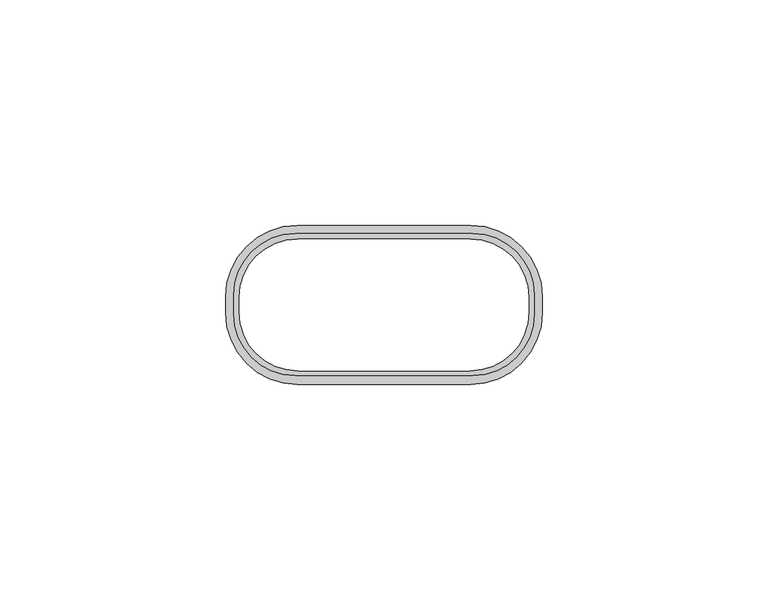
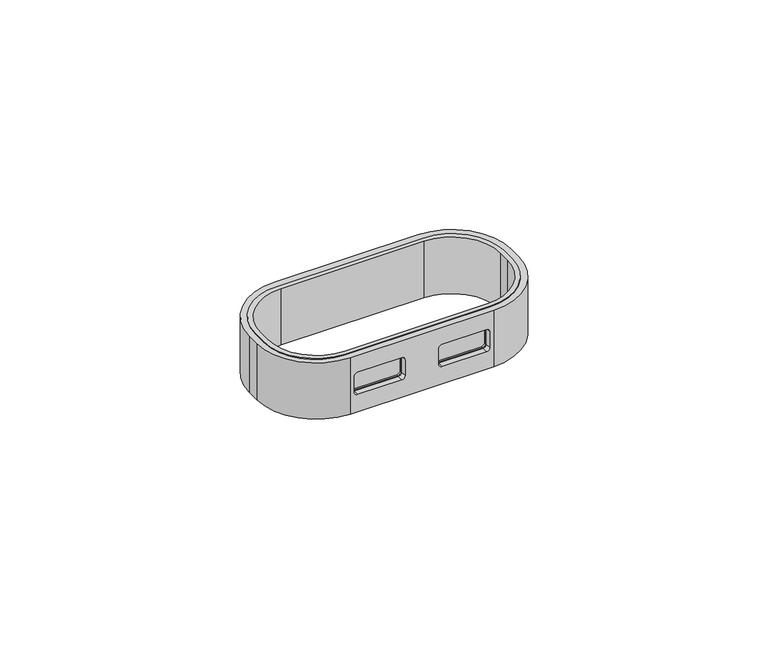
"""IFC4 building model written with IfcOpenShell, lengths in millimetres: furniture geometry."""

from ifc_helpers import new_model, si_unit, frame, origin, place, context, project, spatial, polyline, circle_curve, source, transform, mapped, element, save
from ifc_brep_helpers import plane_surface, cylinder_surface, revolved_surface, advanced_brep


def furniture_4aa4952e(model_context):
    return source(origin(), model_context, "Body", "AdvancedBrep", [
        advanced_brep(
        [(-5.3922268, -15.1999048, 4.8819933), (-4.5342266, -15.1999048, 5.7399936), (-4.5342266, -15.1999048, 10.2599927), (-5.3922268, -15.1999048, 11.117993), (-17.2922267, -15.1999048, 11.117993), (-18.1502264, -15.1999048, 10.2599933), (-18.1502264, -15.1999048, 5.7399936), (-17.2922261, -15.1999048, 4.8819933), (5.3922268, -15.1999048, 4.8819933), (17.2922261, -15.1999048, 4.8819933), (18.1502264, -15.1999048, 5.7399936), (18.1502264, -15.1999048, 10.2599933), (17.2922267, -15.1999048, 11.117993), (5.3922268, -15.1999048, 11.117993), (4.5342266, -15.1999048, 10.2599927), (4.5342266, -15.1999048, 5.7399936), (-5.3922268, -15.7064274, 4.8819933), (-4.5342266, -15.7064274, 5.7399936), (-4.5342266, -15.7064274, 10.2599927), (-5.3922268, -15.7064274, 11.117993), (-17.2922267, -15.7064274, 11.117993), (-18.1502264, -15.7064274, 10.2599933), (-18.1502264, -15.7064274, 5.7399936), (-17.2922261, -15.7064274, 4.8819933), (5.3922268, -15.7064274, 4.8819933), (17.2922261, -15.7064274, 4.8819933), (18.1502264, -15.7064274, 5.7399936), (18.1502264, -15.7064274, 10.2599933), (17.2922267, -15.7064274, 11.117993), (5.3922268, -15.7064274, 11.117993), (4.5342266, -15.7064274, 10.2599927), (4.5342266, -15.7064274, 5.7399936), (19.6303579, 15.8550847, 15.9999931), (-19.6303579, 15.8550847, 15.9999931), (-33.3463579, 2.1390847, 15.9999931), (-33.3463579, -1.9904274, 15.9999931), (-19.6303579, -15.7064274, 15.9999931), (19.6303579, -15.7064274, 15.9999931), (33.3463579, -1.9904274, 15.9999931), (33.3463579, 2.1390847, 15.9999931), (-19.125, 14.625, 15.9999931), (19.125, 14.625, 15.9999931), (32.125, 1.625, 15.9999931), (32.125, -1.625, 15.9999931), (19.125, -14.625, 15.9999931), (-19.125, -14.625, 15.9999931), (-32.125, -1.625, 15.9999931), (-32.125, 1.625, 15.9999931), (19.6303579, 15.8550847, 0.0), (33.3463579, 2.1390847, 0.0), (33.3463579, -1.9904274, 0.0), (19.6303579, -15.7064274, 0.0), (-19.6303579, -15.7064274, 0.0), (-33.3463579, -1.9904274, 0.0), (-33.3463579, 2.1390847, 0.0), (-19.6303579, 15.8550847, 0.0), (-19.125, 14.625, 0.0), (-32.125, 1.625, 0.0), (-32.125, -1.625, 0.0), (-19.125, -14.625, 0.0), (19.125, -14.625, 0.0), (32.125, -1.625, 0.0), (32.125, 1.625, 0.0), (19.125, 14.625, 0.0)],
        [
            (0, 1, circle_curve(frame((-5.3922268, -15.1999048, 5.7399936), z_axis=(0.0, -1.0, 0.0), x_axis=(1.0, 0.0, 0.0)), 0.8580003)),
            (1, 2),
            (2, 3, circle_curve(frame((-5.3922268, -15.1999048, 10.2599927), z_axis=(0.0, -1.0, 0.0), x_axis=(1.0, 0.0, 0.0)), 0.8580003)),
            (3, 4),
            (4, 5, circle_curve(frame((-17.2922267, -15.1999048, 10.2599933), z_axis=(0.0, -1.0, 0.0), x_axis=(1.0, 0.0, 0.0)), 0.8579997)),
            (5, 6),
            (6, 7, circle_curve(frame((-17.2922261, -15.1999048, 5.7399936), z_axis=(0.0, -1.0, 0.0), x_axis=(1.0, 0.0, 0.0)), 0.8580003)),
            (7, 0),
            (8, 9),
            (9, 10, circle_curve(frame((17.2922261, -15.1999048, 5.7399936), z_axis=(0.0, -1.0, 0.0), x_axis=(-1.0, 0.0, 0.0)), 0.8580003)),
            (10, 11),
            (11, 12, circle_curve(frame((17.2922267, -15.1999048, 10.2599933), z_axis=(0.0, -1.0, 0.0), x_axis=(-1.0, 0.0, 0.0)), 0.8579997)),
            (12, 13),
            (13, 14, circle_curve(frame((5.3922268, -15.1999048, 10.2599927), z_axis=(0.0, -1.0, 0.0), x_axis=(-1.0, 0.0, 0.0)), 0.8580003)),
            (14, 15),
            (15, 8, circle_curve(frame((5.3922268, -15.1999048, 5.7399936), z_axis=(0.0, -1.0, 0.0), x_axis=(-1.0, 0.0, 0.0)), 0.8580003)),
            (0, 16),
            (16, 17, circle_curve(frame((-5.3922268, -15.7064274, 5.7399936), z_axis=(0.0, -1.0, 0.0), x_axis=(1.0, 0.0, 0.0)), 0.8580003)),
            (17, 1),
            (17, 18),
            (18, 2),
            (18, 19, circle_curve(frame((-5.3922268, -15.7064274, 10.2599927), z_axis=(0.0, -1.0, 0.0), x_axis=(1.0, 0.0, 0.0)), 0.8580003)),
            (19, 3),
            (19, 20),
            (20, 4),
            (20, 21, circle_curve(frame((-17.2922267, -15.7064274, 10.2599933), z_axis=(0.0, -1.0, 0.0), x_axis=(1.0, 0.0, 0.0)), 0.8579997)),
            (21, 5),
            (21, 22),
            (22, 6),
            (22, 23, circle_curve(frame((-17.2922261, -15.7064274, 5.7399936), z_axis=(0.0, -1.0, 0.0), x_axis=(1.0, 0.0, 0.0)), 0.8580003)),
            (23, 7),
            (23, 16),
            (8, 24),
            (24, 25),
            (25, 9),
            (25, 26, circle_curve(frame((17.2922261, -15.7064274, 5.7399936), z_axis=(0.0, -1.0, 0.0), x_axis=(-1.0, 0.0, 0.0)), 0.8580003)),
            (26, 10),
            (26, 27),
            (27, 11),
            (27, 28, circle_curve(frame((17.2922267, -15.7064274, 10.2599933), z_axis=(0.0, -1.0, 0.0), x_axis=(-1.0, 0.0, 0.0)), 0.8579997)),
            (28, 12),
            (28, 29),
            (29, 13),
            (29, 30, circle_curve(frame((5.3922268, -15.7064274, 10.2599927), z_axis=(0.0, -1.0, 0.0), x_axis=(-1.0, 0.0, 0.0)), 0.8580003)),
            (30, 14),
            (30, 31),
            (31, 15),
            (31, 24, circle_curve(frame((5.3922268, -15.7064274, 5.7399936), z_axis=(0.0, -1.0, 0.0), x_axis=(-1.0, 0.0, 0.0)), 0.8580003)),
            (32, 33),
            (33, 34, circle_curve(frame((-19.6303579, 2.1390847, 15.9999931), z_axis=(0.0, 0.0, 1.0), x_axis=(1.0, 0.0, 0.0)), 13.716)),
            (34, 35),
            (35, 36, circle_curve(frame((-19.6303579, -1.9904274, 15.9999931), z_axis=(0.0, 0.0, 1.0), x_axis=(1.0, 0.0, 0.0)), 13.716)),
            (36, 37),
            (37, 38, circle_curve(frame((19.6303579, -1.9904274, 15.9999931), z_axis=(0.0, 0.0, 1.0), x_axis=(1.0, 0.0, 0.0)), 13.716)),
            (38, 39),
            (39, 32, circle_curve(frame((19.6303579, 2.1390847, 15.9999931), z_axis=(0.0, 0.0, 1.0), x_axis=(1.0, 0.0, 0.0)), 13.716)),
            (40, 41),
            (41, 42, circle_curve(frame((19.125, 1.625, 15.9999931), z_axis=(0.0, 0.0, -1.0), x_axis=(1.0, 0.0, 0.0)), 13.0)),
            (42, 43),
            (43, 44, circle_curve(frame((19.125, -1.625, 15.9999931), z_axis=(0.0, 0.0, -1.0), x_axis=(1.0, 0.0, 0.0)), 13.0)),
            (44, 45),
            (45, 46, circle_curve(frame((-19.125, -1.625, 15.9999931), z_axis=(0.0, 0.0, -1.0), x_axis=(1.0, 0.0, 0.0)), 13.0)),
            (46, 47),
            (47, 40, circle_curve(frame((-19.125, 1.625, 15.9999931), z_axis=(0.0, 0.0, -1.0), x_axis=(1.0, 0.0, 0.0)), 13.0)),
            (48, 49, circle_curve(frame((19.6303579, 2.1390847, 0.0), z_axis=(0.0, 0.0, -1.0), x_axis=(1.0, 0.0, 0.0)), 13.716)),
            (49, 50),
            (50, 51, circle_curve(frame((19.6303579, -1.9904274, 0.0), z_axis=(0.0, 0.0, -1.0), x_axis=(1.0, 0.0, 0.0)), 13.716)),
            (51, 52),
            (52, 53, circle_curve(frame((-19.6303579, -1.9904274, 0.0), z_axis=(0.0, 0.0, -1.0), x_axis=(1.0, 0.0, 0.0)), 13.716)),
            (53, 54),
            (54, 55, circle_curve(frame((-19.6303579, 2.1390847, 0.0), z_axis=(0.0, 0.0, -1.0), x_axis=(1.0, 0.0, 0.0)), 13.716)),
            (55, 48),
            (56, 57, circle_curve(frame((-19.125, 1.625, 0.0), z_axis=(0.0, 0.0, 1.0), x_axis=(1.0, 0.0, 0.0)), 13.0)),
            (57, 58),
            (58, 59, circle_curve(frame((-19.125, -1.625, 0.0), z_axis=(0.0, 0.0, 1.0), x_axis=(1.0, 0.0, 0.0)), 13.0)),
            (59, 60),
            (60, 61, circle_curve(frame((19.125, -1.625, 0.0), z_axis=(0.0, 0.0, 1.0), x_axis=(1.0, 0.0, 0.0)), 13.0)),
            (61, 62),
            (62, 63, circle_curve(frame((19.125, 1.625, 0.0), z_axis=(0.0, 0.0, 1.0), x_axis=(1.0, 0.0, 0.0)), 13.0)),
            (63, 56),
            (32, 48),
            (55, 33),
            (36, 52),
            (51, 37),
            (54, 34),
            (53, 35),
            (50, 38),
            (49, 39),
            (40, 56),
            (63, 41),
            (62, 42),
            (61, 43),
            (60, 44),
            (59, 45),
            (58, 46),
            (57, 47),
        ],
        [
            plane_surface(frame((-4.5342266, -15.1999048, 5.7399936), z_axis=(0.0, -1.0, 0.0), x_axis=(0.0, 0.0, -1.0))),
            revolved_surface(polyline([(-4.534226500000001, -15.7064274, 5.7399936), (-4.534226500000001, -15.1999048, 5.7399936)]), (-5.3922268, -15.1999048, 5.7399936), (0.0, -1.0, 0.0)),
            plane_surface(frame((-4.5342266, -19.4228789, 5.7399936), z_axis=(-1.0, 0.0, 0.0), x_axis=(0.0, 1.0, 0.0))),
            revolved_surface(polyline([(-4.534226500000001, -15.7064274, 10.2599927), (-4.534226500000001, -15.1999048, 10.2599927)]), (-5.3922268, -15.1999048, 10.2599927), (0.0, -1.0, 0.0)),
            plane_surface(frame((-5.3922268, -19.4228789, 11.117993), z_axis=(0.0, 0.0, -1.0), x_axis=(0.0, 1.0, 0.0))),
            revolved_surface(polyline([(-16.434227, -15.7064274, 10.2599933), (-16.434227, -15.1999048, 10.2599933)]), (-17.2922267, -15.1999048, 10.2599933), (0.0, -1.0, 0.0)),
            plane_surface(frame((-18.1502264, -19.4228789, 10.2599933), z_axis=(1.0, 0.0, 0.0), x_axis=(0.0, 1.0, 0.0))),
            revolved_surface(polyline([(-16.4342258, -15.7064274, 5.7399936), (-16.4342258, -15.1999048, 5.7399936)]), (-17.2922261, -15.1999048, 5.7399936), (0.0, -1.0, 0.0)),
            plane_surface(frame((-17.2922261, -19.4228789, 4.8819933), z_axis=(0.0, 0.0, 1.0), x_axis=(0.0, 1.0, 0.0))),
            plane_surface(frame((5.3922268, -19.4228789, 4.8819933), z_axis=(0.0, 0.0, 1.0), x_axis=(0.0, 1.0, 0.0))),
            revolved_surface(polyline([(16.4342258, -15.7064274, 5.7399936), (16.4342258, -15.1999048, 5.7399936)]), (17.2922261, 0.0, 5.7399936), (0.0, -1.0, 0.0)),
            plane_surface(frame((18.1502264, -19.4228789, 5.7399936), z_axis=(-1.0, 0.0, 0.0), x_axis=(0.0, 1.0, 0.0))),
            revolved_surface(polyline([(16.434227, -15.7064274, 10.2599933), (16.434227, -15.1999048, 10.2599933)]), (17.2922267, 0.0, 10.2599933), (0.0, -1.0, 0.0)),
            plane_surface(frame((17.2922267, -19.4228789, 11.117993), z_axis=(0.0, 0.0, -1.0), x_axis=(0.0, 1.0, 0.0))),
            revolved_surface(polyline([(4.534226500000001, -15.7064274, 10.2599927), (4.534226500000001, -15.1999048, 10.2599927)]), (5.3922268, 0.0, 10.2599927), (0.0, -1.0, 0.0)),
            plane_surface(frame((4.5342266, -19.4228789, 10.2599927), z_axis=(1.0, 0.0, 0.0), x_axis=(0.0, 1.0, 0.0))),
            revolved_surface(polyline([(4.534226500000001, -15.7064274, 5.7399936), (4.534226500000001, -15.1999048, 5.7399936)]), (5.3922268, 0.0, 5.7399936), (0.0, -1.0, 0.0)),
            plane_surface(frame((-19.25, 15.8550847, 15.9999931), z_axis=(0.0, 0.0, 1.0), x_axis=(-1.0, 0.0, 0.0))),
            plane_surface(frame((-19.25, 15.8550847, 0.0), z_axis=(0.0, 0.0, -1.0), x_axis=(1.0, 0.0, 0.0))),
            plane_surface(frame((19.6303579, 15.8550847, 15.9999931), z_axis=(0.0, 1.0, 0.0), x_axis=(0.0, 0.0, -1.0))),
            plane_surface(frame((-19.6303579, -15.7064274, 15.9999931), z_axis=(0.0, -1.0, 0.0), x_axis=(0.0, 0.0, -1.0))),
            cylinder_surface(frame((-19.6303579, 2.1390847, 0.0), z_axis=(0.0, 0.0, 1.0), x_axis=(1.0, 0.0, 0.0)), 13.716),
            plane_surface(frame((-33.3463579, 2.1390847, 15.9999931), z_axis=(-1.0, 0.0, 0.0), x_axis=(0.0, 0.0, -1.0))),
            cylinder_surface(frame((-19.6303579, -1.9904274, 0.0), z_axis=(0.0, 0.0, 1.0), x_axis=(1.0, 0.0, 0.0)), 13.716),
            cylinder_surface(frame((19.6303579, -1.9904274, 0.0), z_axis=(0.0, 0.0, 1.0), x_axis=(1.0, 0.0, 0.0)), 13.716),
            plane_surface(frame((33.3463579, -1.9904274, 15.9999931), z_axis=(1.0, 0.0, 0.0), x_axis=(0.0, 0.0, -1.0))),
            cylinder_surface(frame((19.6303579, 2.1390847, 0.0), z_axis=(0.0, 0.0, 1.0), x_axis=(1.0, 0.0, 0.0)), 13.716),
            plane_surface(frame((-19.125, 14.625, 15.9999931), z_axis=(0.0, -1.0, 0.0), x_axis=(0.0, 0.0, -1.0))),
            revolved_surface(polyline([(32.125, 1.625, 0.0), (32.125, 1.625, 15.9999931)]), (19.125, 1.625, 0.0), (0.0, 0.0, -1.0)),
            plane_surface(frame((32.125, 1.625, 15.9999931), z_axis=(-1.0, 0.0, 0.0), x_axis=(0.0, 0.0, -1.0))),
            revolved_surface(polyline([(32.125, -1.625, 0.0), (32.125, -1.625, 15.9999931)]), (19.125, -1.625, 0.0), (0.0, 0.0, -1.0)),
            plane_surface(frame((19.125, -14.625, 15.9999931), z_axis=(0.0, 1.0, 0.0), x_axis=(0.0, 0.0, -1.0))),
            revolved_surface(polyline([(-6.125, -1.625, 0.0), (-6.125, -1.625, 15.9999931)]), (-19.125, -1.625, 0.0), (0.0, 0.0, -1.0)),
            plane_surface(frame((-32.125, -1.625, 15.9999931), z_axis=(1.0, 0.0, 0.0), x_axis=(0.0, 0.0, -1.0))),
            revolved_surface(polyline([(-6.125, 1.625, 0.0), (-6.125, 1.625, 15.9999931)]), (-19.125, 1.625, 0.0), (0.0, 0.0, -1.0)),
        ],
        [
            (0, [[1, 2, 3, 4, 5, 6, 7, 8]]),
            (0, [[9, 10, 11, 12, 13, 14, 15, 16]]),
            (1, [[-1, 17, 18, 19]]),
            (2, [[-2, -19, 20, 21]]),
            (3, [[-3, -21, 22, 23]]),
            (4, [[-4, -23, 24, 25]]),
            (5, [[-5, -25, 26, 27]]),
            (6, [[-6, -27, 28, 29]]),
            (7, [[-7, -29, 30, 31]]),
            (8, [[-8, -31, 32, -17]]),
            (9, [[-9, 33, 34, 35]]),
            (10, [[-10, -35, 36, 37]]),
            (11, [[-11, -37, 38, 39]]),
            (12, [[-12, -39, 40, 41]]),
            (13, [[-13, -41, 42, 43]]),
            (14, [[-14, -43, 44, 45]]),
            (15, [[-15, -45, 46, 47]]),
            (16, [[-16, -47, 48, -33]]),
            (17, [[49, 50, 51, 52, 53, 54, 55, 56], [57, 58, 59, 60, 61, 62, 63, 64]]),
            (18, [[65, 66, 67, 68, 69, 70, 71, 72], [73, 74, 75, 76, 77, 78, 79, 80]]),
            (19, [[-49, 81, -72, 82]]),
            (20, [[-53, 83, -68, 84], [-18, -32, -30, -28, -26, -24, -22, -20], [-34, -48, -46, -44, -42, -40, -38, -36]]),
            (21, [[-50, -82, -71, 85]]),
            (22, [[-51, -85, -70, 86]]),
            (23, [[-52, -86, -69, -83]]),
            (24, [[-54, -84, -67, 87]]),
            (25, [[-55, -87, -66, 88]]),
            (26, [[-56, -88, -65, -81]]),
            (27, [[-57, 89, -80, 90]]),
            (28, [[-58, -90, -79, 91]]),
            (29, [[-59, -91, -78, 92]]),
            (30, [[-60, -92, -77, 93]]),
            (31, [[-61, -93, -76, 94]]),
            (32, [[-62, -94, -75, 95]]),
            (33, [[-63, -95, -74, 96]]),
            (34, [[-64, -96, -73, -89]]),
        ],
    ),
        advanced_brep(
        [(-19.25, 17.6243579, 15.9999931), (-35.1243579, 1.75, 15.9999931), (-35.1243579, -1.75, 15.9999931), (-19.25, -17.6243579, 15.9999931), (19.25, -17.6243579, 15.9999931), (35.1243579, -1.75, 15.9999931), (35.1243579, 1.75, 15.9999931), (19.25, 17.6243579, 15.9999931), (19.6303579, -15.7064274, 15.9999931), (-19.6303579, -15.7064274, 15.9999931), (-33.3463579, -1.9904274, 15.9999931), (-33.3463579, 2.1390847, 15.9999931), (-19.6303579, 15.8550847, 15.9999931), (19.6303579, 15.8550847, 15.9999931), (33.3463579, 2.1390847, 15.9999931), (33.3463579, -1.9904274, 15.9999931), (-19.25, 17.6330847, 0.0), (19.25, 17.6330847, 0.0), (35.1243579, 1.75, 0.0), (35.1243579, -1.75, 0.0), (19.25, -17.6243579, 0.0), (-19.25, -17.6243579, 0.0), (-35.1243579, -1.75, 0.0), (-35.1243579, 1.75, 0.0), (19.6303579, -15.7064274, 0.0), (33.3463579, -1.9904274, 0.0), (33.3463579, 2.1390847, 0.0), (19.6303579, 15.8550847, 0.0), (-19.6303579, 15.8550847, 0.0), (-33.3463579, 2.1390847, 0.0), (-33.3463579, -1.9904274, 0.0), (-19.6303579, -15.7064274, 0.0), (-4.5342266, -17.6243579, 5.7399936), (-5.3922268, -17.6243579, 4.8819933), (-17.2922261, -17.6243579, 4.8819933), (-18.1502264, -17.6243579, 5.7399936), (-18.1502264, -17.6243579, 10.2599933), (-17.2922267, -17.6243579, 11.117993), (-5.3922268, -17.6243579, 11.117993), (-4.5342266, -17.6243579, 10.2599927), (17.2922261, -17.6243579, 4.8819933), (5.3922268, -17.6243579, 4.8819933), (4.5342266, -17.6243579, 5.7399936), (4.5342266, -17.6243579, 10.2599927), (5.3922268, -17.6243579, 11.117993), (17.2922267, -17.6243579, 11.117993), (18.1502264, -17.6243579, 10.2599933), (18.1502264, -17.6243579, 5.7399936), (-5.3922268, -15.7064274, 4.8819933), (-4.5342266, -15.7064274, 5.7399936), (-4.5342266, -15.7064274, 10.2599927), (-5.3922268, -15.7064274, 11.117993), (-17.2922267, -15.7064274, 11.117993), (-18.1502264, -15.7064274, 10.2599933), (-18.1502264, -15.7064274, 5.7399936), (-17.2922261, -15.7064274, 4.8819933), (5.3922268, -15.7064274, 4.8819933), (17.2922261, -15.7064274, 4.8819933), (18.1502264, -15.7064274, 5.7399936), (18.1502264, -15.7064274, 10.2599933), (17.2922267, -15.7064274, 11.117993), (5.3922268, -15.7064274, 11.117993), (4.5342266, -15.7064274, 10.2599927), (4.5342266, -15.7064274, 5.7399936)],
        [
            (0, 1, circle_curve(frame((-19.25, 1.75, 15.9999931), z_axis=(0.0, 0.0, 1.0), x_axis=(0.0, 1.0, 0.0)), 15.8743579)),
            (1, 2),
            (2, 3, circle_curve(frame((-19.25, -1.75, 15.9999931), z_axis=(0.0, 0.0, 1.0), x_axis=(-1.0, 0.0, 0.0)), 15.8743579)),
            (3, 4),
            (4, 5, circle_curve(frame((19.25, -1.75, 15.9999931), z_axis=(0.0, 0.0, 1.0), x_axis=(0.0, -1.0, 0.0)), 15.8743579)),
            (5, 6),
            (6, 7, circle_curve(frame((19.25, 1.75, 15.9999931), z_axis=(0.0, 0.0, 1.0), x_axis=(1.0, 0.0, 0.0)), 15.8743579)),
            (7, 0),
            (8, 9),
            (9, 10, circle_curve(frame((-19.6303579, -1.9904274, 15.9999931), z_axis=(0.0, 0.0, -1.0), x_axis=(1.0, 0.0, 0.0)), 13.716)),
            (10, 11),
            (11, 12, circle_curve(frame((-19.6303579, 2.1390847, 15.9999931), z_axis=(0.0, 0.0, -1.0), x_axis=(1.0, 0.0, 0.0)), 13.716)),
            (12, 13),
            (13, 14, circle_curve(frame((19.6303579, 2.1390847, 15.9999931), z_axis=(0.0, 0.0, -1.0), x_axis=(1.0, 0.0, 0.0)), 13.716)),
            (14, 15),
            (15, 8, circle_curve(frame((19.6303579, -1.9904274, 15.9999931), z_axis=(0.0, 0.0, -1.0), x_axis=(1.0, 0.0, 0.0)), 13.716)),
            (16, 17),
            (17, 18, circle_curve(frame((19.25, 1.75, 0.0), z_axis=(0.0, 0.0, -1.0), x_axis=(1.0, 0.0, 0.0)), 15.8743579)),
            (18, 19),
            (19, 20, circle_curve(frame((19.25, -1.75, 0.0), z_axis=(0.0, 0.0, -1.0), x_axis=(0.0, -1.0, 0.0)), 15.8743579)),
            (20, 21),
            (21, 22, circle_curve(frame((-19.25, -1.75, 0.0), z_axis=(0.0, 0.0, -1.0), x_axis=(-1.0, 0.0, 0.0)), 15.8743579)),
            (22, 23),
            (23, 16, circle_curve(frame((-19.25, 1.75, 0.0), z_axis=(0.0, 0.0, -1.0), x_axis=(0.0, 1.0, 0.0)), 15.8743579)),
            (24, 25, circle_curve(frame((19.6303579, -1.9904274, 0.0), z_axis=(0.0, 0.0, 1.0), x_axis=(1.0, 0.0, 0.0)), 13.716)),
            (25, 26),
            (26, 27, circle_curve(frame((19.6303579, 2.1390847, 0.0), z_axis=(0.0, 0.0, 1.0), x_axis=(1.0, 0.0, 0.0)), 13.716)),
            (27, 28),
            (28, 29, circle_curve(frame((-19.6303579, 2.1390847, 0.0), z_axis=(0.0, 0.0, 1.0), x_axis=(1.0, 0.0, 0.0)), 13.716)),
            (29, 30),
            (30, 31, circle_curve(frame((-19.6303579, -1.9904274, 0.0), z_axis=(0.0, 0.0, 1.0), x_axis=(1.0, 0.0, 0.0)), 13.716)),
            (31, 24),
            (0, 16),
            (23, 1),
            (22, 2),
            (21, 3),
            (20, 4),
            (32, 33, circle_curve(frame((-5.3922268, -17.6243579, 5.7399936), z_axis=(0.0, 1.0, 0.0), x_axis=(1.0, 0.0, 0.0)), 0.8580003)),
            (33, 34),
            (34, 35, circle_curve(frame((-17.2922261, -17.6243579, 5.7399936), z_axis=(0.0, 1.0, 0.0), x_axis=(1.0, 0.0, 0.0)), 0.8580003)),
            (35, 36),
            (36, 37, circle_curve(frame((-17.2922267, -17.6243579, 10.2599933), z_axis=(0.0, 1.0, 0.0), x_axis=(1.0, 0.0, 0.0)), 0.8579997)),
            (37, 38),
            (38, 39, circle_curve(frame((-5.3922268, -17.6243579, 10.2599927), z_axis=(0.0, 1.0, 0.0), x_axis=(1.0, 0.0, 0.0)), 0.8580003)),
            (39, 32),
            (40, 41),
            (41, 42, circle_curve(frame((5.3922268, -17.6243579, 5.7399936), z_axis=(0.0, 1.0, 0.0), x_axis=(-1.0, 0.0, 0.0)), 0.8580003)),
            (42, 43),
            (43, 44, circle_curve(frame((5.3922268, -17.6243579, 10.2599927), z_axis=(0.0, 1.0, 0.0), x_axis=(-1.0, 0.0, 0.0)), 0.8580003)),
            (44, 45),
            (45, 46, circle_curve(frame((17.2922267, -17.6243579, 10.2599933), z_axis=(0.0, 1.0, 0.0), x_axis=(-1.0, 0.0, 0.0)), 0.8579997)),
            (46, 47),
            (47, 40, circle_curve(frame((17.2922261, -17.6243579, 5.7399936), z_axis=(0.0, 1.0, 0.0), x_axis=(-1.0, 0.0, 0.0)), 0.8580003)),
            (19, 5),
            (18, 6),
            (17, 7),
            (48, 33),
            (32, 49),
            (49, 48, circle_curve(frame((-5.3922268, -15.7064274, 5.7399936), z_axis=(0.0, 1.0, 0.0), x_axis=(1.0, 0.0, 0.0)), 0.8580003)),
            (39, 50),
            (50, 49),
            (38, 51),
            (51, 50, circle_curve(frame((-5.3922268, -15.7064274, 10.2599927), z_axis=(0.0, 1.0, 0.0), x_axis=(1.0, 0.0, 0.0)), 0.8580003)),
            (37, 52),
            (52, 51),
            (36, 53),
            (53, 52, circle_curve(frame((-17.2922267, -15.7064274, 10.2599933), z_axis=(0.0, 1.0, 0.0), x_axis=(1.0, 0.0, 0.0)), 0.8579997)),
            (35, 54),
            (54, 53),
            (34, 55),
            (55, 54, circle_curve(frame((-17.2922261, -15.7064274, 5.7399936), z_axis=(0.0, 1.0, 0.0), x_axis=(1.0, 0.0, 0.0)), 0.8580003)),
            (48, 55),
            (56, 41),
            (40, 57),
            (57, 56),
            (47, 58),
            (58, 57, circle_curve(frame((17.2922261, -15.7064274, 5.7399936), z_axis=(0.0, 1.0, 0.0), x_axis=(-1.0, 0.0, 0.0)), 0.8580003)),
            (46, 59),
            (59, 58),
            (45, 60),
            (60, 59, circle_curve(frame((17.2922267, -15.7064274, 10.2599933), z_axis=(0.0, 1.0, 0.0), x_axis=(-1.0, 0.0, 0.0)), 0.8579997)),
            (44, 61),
            (61, 60),
            (43, 62),
            (62, 61, circle_curve(frame((5.3922268, -15.7064274, 10.2599927), z_axis=(0.0, 1.0, 0.0), x_axis=(-1.0, 0.0, 0.0)), 0.8580003)),
            (42, 63),
            (63, 62),
            (56, 63, circle_curve(frame((5.3922268, -15.7064274, 5.7399936), z_axis=(0.0, 1.0, 0.0), x_axis=(-1.0, 0.0, 0.0)), 0.8580003)),
            (8, 24),
            (31, 9),
            (30, 10),
            (29, 11),
            (28, 12),
            (27, 13),
            (26, 14),
            (25, 15),
        ],
        [
            plane_surface(frame((-19.25, 17.6243579, 15.9999931), z_axis=(0.0, 0.0, 1.0), x_axis=(-1.0, 0.0, 0.0))),
            plane_surface(frame((-19.25, 17.6243579, 0.0), z_axis=(0.0, 0.0, -1.0), x_axis=(1.0, 0.0, 0.0))),
            cylinder_surface(frame((-19.25, 1.75, 0.0), z_axis=(0.0, 0.0, 1.0), x_axis=(0.0, 1.0, 0.0)), 15.8743579),
            plane_surface(frame((-35.1243579, 1.75, 15.9999931), z_axis=(-1.0, 0.0, 0.0), x_axis=(0.0, 0.0, -1.0))),
            cylinder_surface(frame((-19.25, -1.75, 0.0), z_axis=(0.0, 0.0, 1.0), x_axis=(-1.0, 0.0, 0.0)), 15.8743579),
            plane_surface(frame((-19.25, -17.6243579, 15.9999931), z_axis=(0.0, -1.0, 0.0), x_axis=(0.0, 0.0, -1.0))),
            cylinder_surface(frame((19.25, -1.75, 0.0), z_axis=(0.0, 0.0, 1.0), x_axis=(0.0, -1.0, 0.0)), 15.8743579),
            plane_surface(frame((35.1243579, -1.75, 15.9999931), z_axis=(1.0, 0.0, 0.0), x_axis=(0.0, 0.0, -1.0))),
            cylinder_surface(frame((19.25, 1.75, 0.0), z_axis=(0.0, 0.0, 1.0), x_axis=(1.0, 0.0, 0.0)), 15.8743579),
            plane_surface(frame((19.25, 17.6330847, 15.9999931), z_axis=(0.0, 1.0, 0.0), x_axis=(0.0, 0.0, -1.0))),
            revolved_surface(polyline([(-4.534226500000001, -17.6243579, 5.7399936), (-4.534226500000001, -15.7064274, 5.7399936)]), (-5.3922268, -15.1999048, 5.7399936), (0.0, -1.0, 0.0)),
            plane_surface(frame((-4.5342266, -19.4228789, 5.7399936), z_axis=(-1.0, 0.0, 0.0), x_axis=(0.0, 1.0, 0.0))),
            revolved_surface(polyline([(-4.534226500000001, -17.6243579, 10.2599927), (-4.534226500000001, -15.7064274, 10.2599927)]), (-5.3922268, -15.1999048, 10.2599927), (0.0, -1.0, 0.0)),
            plane_surface(frame((-5.3922268, -19.4228789, 11.117993), z_axis=(0.0, 0.0, -1.0), x_axis=(0.0, 1.0, 0.0))),
            revolved_surface(polyline([(-16.434227, -17.6243579, 10.2599933), (-16.434227, -15.7064274, 10.2599933)]), (-17.2922267, -15.1999048, 10.2599933), (0.0, -1.0, 0.0)),
            plane_surface(frame((-18.1502264, -19.4228789, 10.2599933), z_axis=(1.0, 0.0, 0.0), x_axis=(0.0, 1.0, 0.0))),
            revolved_surface(polyline([(-16.4342258, -17.6243579, 5.7399936), (-16.4342258, -15.7064274, 5.7399936)]), (-17.2922261, -15.1999048, 5.7399936), (0.0, -1.0, 0.0)),
            plane_surface(frame((-17.2922261, -19.4228789, 4.8819933), z_axis=(0.0, 0.0, 1.0), x_axis=(0.0, 1.0, 0.0))),
            plane_surface(frame((5.3922268, -19.4228789, 4.8819933), z_axis=(0.0, 0.0, 1.0), x_axis=(0.0, 1.0, 0.0))),
            revolved_surface(polyline([(16.4342258, -17.6243579, 5.7399936), (16.4342258, -15.7064274, 5.7399936)]), (17.2922261, 0.0, 5.7399936), (0.0, -1.0, 0.0)),
            plane_surface(frame((18.1502264, -19.4228789, 5.7399936), z_axis=(-1.0, 0.0, 0.0), x_axis=(0.0, 1.0, 0.0))),
            revolved_surface(polyline([(16.434227, -17.6243579, 10.2599933), (16.434227, -15.7064274, 10.2599933)]), (17.2922267, 0.0, 10.2599933), (0.0, -1.0, 0.0)),
            plane_surface(frame((17.2922267, -19.4228789, 11.117993), z_axis=(0.0, 0.0, -1.0), x_axis=(0.0, 1.0, 0.0))),
            revolved_surface(polyline([(4.534226500000001, -17.6243579, 10.2599927), (4.534226500000001, -15.7064274, 10.2599927)]), (5.3922268, 0.0, 10.2599927), (0.0, -1.0, 0.0)),
            plane_surface(frame((4.5342266, -19.4228789, 10.2599927), z_axis=(1.0, 0.0, 0.0), x_axis=(0.0, 1.0, 0.0))),
            revolved_surface(polyline([(4.534226500000001, -17.6243579, 5.7399936), (4.534226500000001, -15.7064274, 5.7399936)]), (5.3922268, 0.0, 5.7399936), (0.0, -1.0, 0.0)),
            plane_surface(frame((19.6303579, -15.7064274, 15.9999931), z_axis=(0.0, 1.0, 0.0), x_axis=(0.0, 0.0, -1.0))),
            revolved_surface(polyline([(-5.914357900000001, -1.9904274, 0.0), (-5.914357900000001, -1.9904274, 15.9999931)]), (-19.6303579, -1.9904274, 0.0), (0.0, 0.0, -1.0)),
            plane_surface(frame((-33.3463579, -1.9904274, 15.9999931), z_axis=(1.0, 0.0, 0.0), x_axis=(0.0, 0.0, -1.0))),
            revolved_surface(polyline([(-5.914357900000001, 2.1390847, 0.0), (-5.914357900000001, 2.1390847, 15.9999931)]), (-19.6303579, 2.1390847, 0.0), (0.0, 0.0, -1.0)),
            plane_surface(frame((-19.6303579, 15.8550847, 15.9999931), z_axis=(0.0, -1.0, 0.0), x_axis=(0.0, 0.0, -1.0))),
            revolved_surface(polyline([(33.3463579, 2.1390847, 0.0), (33.3463579, 2.1390847, 15.9999931)]), (19.6303579, 2.1390847, 0.0), (0.0, 0.0, -1.0)),
            plane_surface(frame((33.3463579, 2.1390847, 15.9999931), z_axis=(-1.0, 0.0, 0.0), x_axis=(0.0, 0.0, -1.0))),
            revolved_surface(polyline([(33.3463579, -1.9904274, 0.0), (33.3463579, -1.9904274, 15.9999931)]), (19.6303579, -1.9904274, 0.0), (0.0, 0.0, -1.0)),
        ],
        [
            (0, [[1, 2, 3, 4, 5, 6, 7, 8], [9, 10, 11, 12, 13, 14, 15, 16]]),
            (1, [[17, 18, 19, 20, 21, 22, 23, 24], [25, 26, 27, 28, 29, 30, 31, 32]]),
            (2, [[-1, 33, -24, 34]]),
            (3, [[-2, -34, -23, 35]]),
            (4, [[-3, -35, -22, 36]]),
            (5, [[-4, -36, -21, 37], [38, 39, 40, 41, 42, 43, 44, 45], [46, 47, 48, 49, 50, 51, 52, 53]]),
            (6, [[-5, -37, -20, 54]]),
            (7, [[-6, -54, -19, 55]]),
            (8, [[-7, -55, -18, 56]]),
            (9, [[-8, -56, -17, -33]]),
            (10, [[57, -38, 58, 59]]),
            (11, [[-58, -45, 60, 61]]),
            (12, [[-60, -44, 62, 63]]),
            (13, [[-62, -43, 64, 65]]),
            (14, [[-64, -42, 66, 67]]),
            (15, [[-66, -41, 68, 69]]),
            (16, [[-68, -40, 70, 71]]),
            (17, [[-57, 72, -70, -39]]),
            (18, [[73, -46, 74, 75]]),
            (19, [[-74, -53, 76, 77]]),
            (20, [[-76, -52, 78, 79]]),
            (21, [[-78, -51, 80, 81]]),
            (22, [[-80, -50, 82, 83]]),
            (23, [[-82, -49, 84, 85]]),
            (24, [[-84, -48, 86, 87]]),
            (25, [[-73, 88, -86, -47]]),
            (26, [[-9, 89, -32, 90], [-59, -61, -63, -65, -67, -69, -71, -72], [-75, -77, -79, -81, -83, -85, -87, -88]]),
            (27, [[-10, -90, -31, 91]]),
            (28, [[-11, -91, -30, 92]]),
            (29, [[-12, -92, -29, 93]]),
            (30, [[-13, -93, -28, 94]]),
            (31, [[-14, -94, -27, 95]]),
            (32, [[-15, -95, -26, 96]]),
            (33, [[-16, -96, -25, -89]]),
        ],
    ),
    ])


if __name__ == "__main__":
    model = new_model("IFC4")
    model_context = context("Model", 3, world=origin())
    ifc_project = project(units=[si_unit("LENGTHUNIT", "METRE", prefix="MILLI")], contexts=[model_context])
    site = spatial("IfcSite", under=ifc_project)
    building = spatial("IfcBuilding", under=site)
    placement = place(None, origin())
    furniture_shape = furniture_4aa4952e(model_context)
    element("IfcFurniture", 1, at=placement, inside=building, context=model_context, shape_type="MappedRepresentation", body=[
        mapped(furniture_shape, transform((0.0, 0.0, 0.0), x_axis=(1.0, 0.0, 0.0), y_axis=(0.0, 1.0, 0.0), z_axis=(0.0, 0.0, 1.0))),
    ])
    save(model, "model.ifc")
